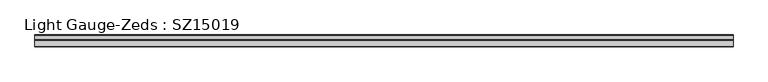
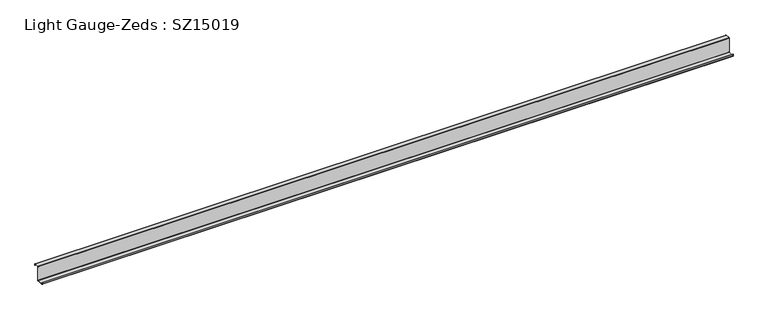
"""IFC4 building model written with IfcOpenShell, lengths in millimetres: beam geometry, Light Gauge-Zeds : SZ15019."""

from ifc_helpers import new_model, si_unit, point, frame, frame_2d, origin, place, context, project, spatial, polyline, circle_curve, trimmed, segment, composite_curve, outline, extrude, source, transform, mapped, element, save


def light_gauge_zeds_sz15019_5e745c82(model_context):
    return source(origin(), model_context, "Body", "SweptSolid", [
        extrude(outline(composite_curve([segment(trimmed(circle_curve(frame_2d((-3.9, -72.1)), 3.9), [point((0.0, -72.1))], [point((-3.9, -76.0))], False, "CARTESIAN"), True, "CONTINUOUS"), segment(polyline([(-3.9, -76.0), (-63.6, -76.0)]), True, "CONTINUOUS"), segment(trimmed(circle_curve(frame_2d((-63.6, -72.1)), 3.9), [point((-63.6, -76.0))], [point((-67.5, -72.1))], False, "CARTESIAN"), True, "CONTINUOUS"), segment(polyline([(-67.5, -72.1), (-67.5, -57.0), (-65.6, -57.0), (-65.6, -72.1)]), True, "CONTINUOUS"), segment(trimmed(circle_curve(frame_2d((-63.6, -72.1)), 2.0), [point((-65.6, -72.1))], [point((-63.6, -74.1))], True, "CARTESIAN"), True, "CONTINUOUS"), segment(polyline([(-63.6, -74.1), (-3.9, -74.1)]), True, "CONTINUOUS"), segment(trimmed(circle_curve(frame_2d((-3.9, -72.1)), 2.0), [point((-3.9, -74.1))], [point((-1.9, -72.1))], True, "CARTESIAN"), True, "CONTINUOUS"), segment(polyline([(-1.9, -72.1), (-1.9, 72.1)]), True, "CONTINUOUS"), segment(trimmed(circle_curve(frame_2d((2.0, 72.1)), 3.9), [point((-1.9, 72.1))], [point((2.0, 76.0))], False, "CARTESIAN"), True, "CONTINUOUS"), segment(polyline([(2.0, 76.0), (46.6, 76.0)]), True, "CONTINUOUS"), segment(trimmed(circle_curve(frame_2d((46.6, 72.1)), 3.9), [point((46.6, 76.0))], [point((50.5, 72.1))], False, "CARTESIAN"), True, "CONTINUOUS"), segment(polyline([(50.5, 72.1), (50.5, 58.0), (48.6, 58.0), (48.6, 72.1)]), True, "CONTINUOUS"), segment(trimmed(circle_curve(frame_2d((46.6, 72.1)), 2.0), [point((48.6, 72.1))], [point((46.6, 74.1))], True, "CARTESIAN"), True, "CONTINUOUS"), segment(polyline([(46.6, 74.1), (2.0, 74.1)]), True, "CONTINUOUS"), segment(trimmed(circle_curve(frame_2d((2.0, 72.1)), 2.0), [point((2.0, 74.1))], [point((0.0, 72.1))], True, "CARTESIAN"), True, "CONTINUOUS"), segment(polyline([(0.0, 72.1), (0.0, -72.1)]), True, "CONTINUOUS")], self_intersect=False)), frame((-3086.5, 0.0, 0.0), z_axis=(1.0, 0.0, 0.0), x_axis=(0.0, 1.0, 0.0)), (0.0, 0.0, 1.0), 6869.0),
    ])


if __name__ == "__main__":
    model = new_model("IFC4")
    model_context = context("Model", 3, world=origin())
    ifc_project = project(units=[si_unit("LENGTHUNIT", "METRE", prefix="MILLI")], contexts=[model_context])
    site = spatial("IfcSite", under=ifc_project)
    building = spatial("IfcBuilding", under=site)
    placement = place(None, origin())
    light_gauge_zeds_sz15019_shape = light_gauge_zeds_sz15019_5e745c82(model_context)
    element("IfcBeam", 1, ObjectType="Light Gauge-Zeds : SZ15019", at=placement, inside=building, context=model_context, shape_type="MappedRepresentation", body=[
        mapped(light_gauge_zeds_sz15019_shape, transform((0.0, 0.0, 0.0), x_axis=(1.0, 0.0, 0.0), y_axis=(0.0, 1.0, 0.0), z_axis=(0.0, 0.0, 1.0))),
    ])
    save(model, "model.ifc")
